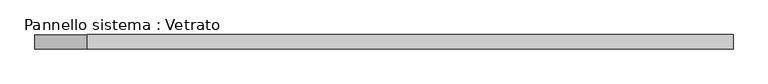
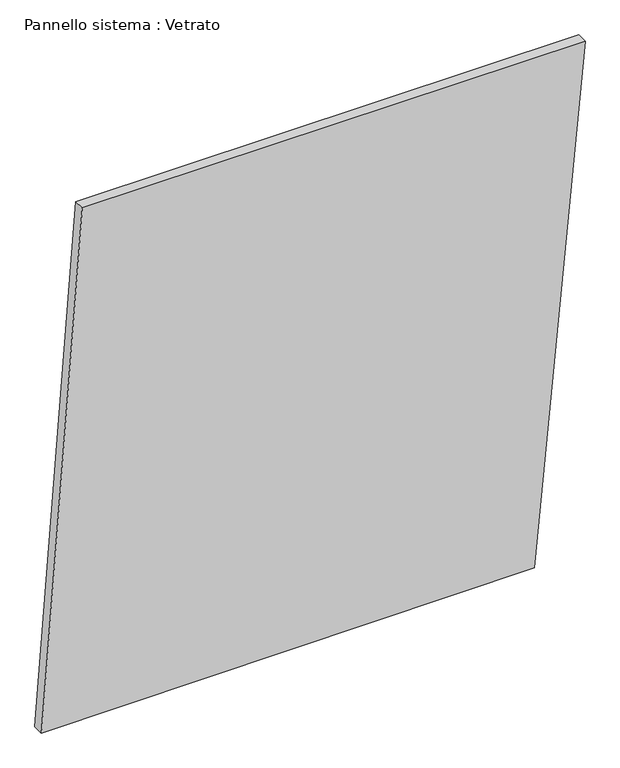
"""IFC4 building model written with IfcOpenShell, lengths in millimetres: plate geometry, Pannello sistema : Vetrato."""

from ifc_helpers import new_model, si_unit, frame, origin, place, context, project, spatial, polyline, outline, extrude, source, transform, mapped, element, save


def pannello_sistema_vetrato_77813c4f(model_context):
    return source(origin(), model_context, "Body", "SweptSolid", [
        extrude(outline(polyline([(0.0, -730.9029658), (4.9916875, 594.3509262), (1452.8910869, 730.9029658), (1452.8910869, -621.1506224), (0.0, -730.9029658)])), frame((0.0, -15.0, 0.0), z_axis=(0.0, 1.0, 0.0), x_axis=(0.0, 0.0, 1.0)), (0.0, 0.0, 1.0), 30.0),
    ])


if __name__ == "__main__":
    model = new_model("IFC4")
    model_context = context("Model", 3, world=origin())
    ifc_project = project(units=[si_unit("LENGTHUNIT", "METRE", prefix="MILLI")], contexts=[model_context])
    site = spatial("IfcSite", under=ifc_project)
    building = spatial("IfcBuilding", under=site)
    placement = place(None, origin())
    pannello_sistema_vetrato_shape = pannello_sistema_vetrato_77813c4f(model_context)
    element("IfcPlate", 1, ObjectType="Pannello sistema : Vetrato", at=placement, inside=building, context=model_context, shape_type="MappedRepresentation", body=[
        mapped(pannello_sistema_vetrato_shape, transform((0.0, 0.0, 0.0), x_axis=(1.0, 0.0, 0.0), y_axis=(0.0, 1.0, 0.0), z_axis=(0.0, 0.0, 1.0))),
    ])
    save(model, "model.ifc")
